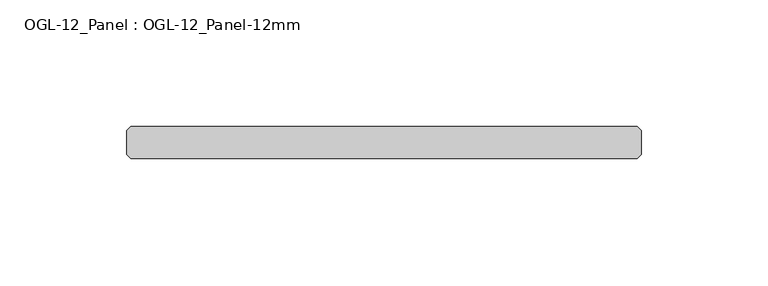
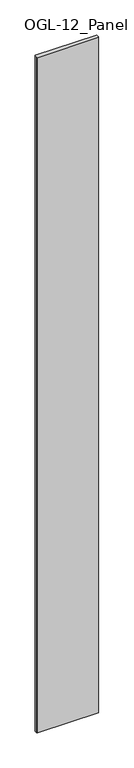
"""IFC4 building model written with IfcOpenShell, lengths in millimetres: plate geometry, OGL-12_Panel : OGL-12_Panel-12mm."""

from ifc_helpers import new_model, si_unit, origin, origin_with_axes, place, context, project, spatial, polyline, outline, extrude, source, transform, mapped, element, save


def ogl_12_panel_ogl_12_panel_12mm_64b82286(model_context):
    return source(origin(), model_context, "Body", "SweptSolid", [
        extrude(outline(polyline([(100.1489273, -34.925), (-100.1489273, -34.925), (-101.7364273, -33.3375), (-101.7364273, -23.8125), (-100.1489273, -22.225), (100.1489273, -22.225), (101.7364273, -23.8125), (101.7364273, -33.3375), (100.1489273, -34.925)])), origin_with_axes(), (0.0, 0.0, 1.0), 2339.9738578),
    ])


if __name__ == "__main__":
    model = new_model("IFC4")
    model_context = context("Model", 3, world=origin())
    ifc_project = project(units=[si_unit("LENGTHUNIT", "METRE", prefix="MILLI")], contexts=[model_context])
    site = spatial("IfcSite", under=ifc_project)
    building = spatial("IfcBuilding", under=site)
    placement = place(None, origin())
    ogl_12_panel_ogl_12_panel_12mm_shape = ogl_12_panel_ogl_12_panel_12mm_64b82286(model_context)
    element("IfcPlate", 1, ObjectType="OGL-12_Panel : OGL-12_Panel-12mm", at=placement, inside=building, context=model_context, shape_type="MappedRepresentation", body=[
        mapped(ogl_12_panel_ogl_12_panel_12mm_shape, transform((0.0, 0.0, 0.0), x_axis=(1.0, 0.0, 0.0), y_axis=(0.0, 1.0, 0.0), z_axis=(0.0, 0.0, 1.0))),
    ])
    save(model, "model.ifc")
